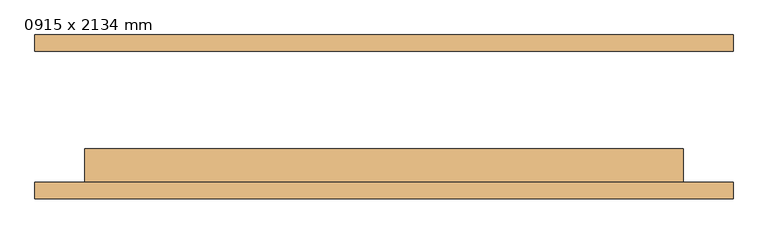
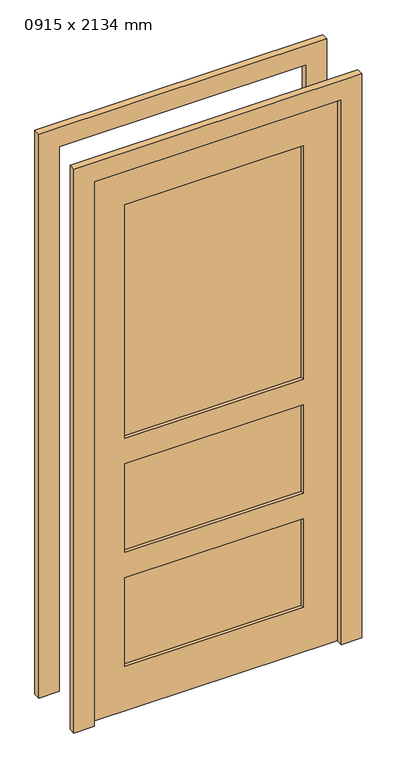
"""IFC4 building model written with IfcOpenShell, lengths in millimetres: door geometry, 0915 x 2134 mm."""

from ifc_helpers import new_model, si_unit, frame, origin, place, context, project, spatial, polyline, outline, extrude, source, transform, mapped, element, save


def door_0915_x_2134_mm_c102b146(model_context):
    return source(origin(), model_context, "Body", "SweptSolid", [
        extrude(outline(polyline([(0.0, -533.5), (0.0, -457.5), (2134.0, -457.5), (2134.0, 457.5), (0.0, 457.5), (0.0, 533.5), (2210.0, 533.5), (2210.0, -533.5), (0.0, -533.5)])), frame((0.0, 100.0, 0.0), z_axis=(0.0, 1.0, 0.0), x_axis=(0.0, 0.0, 1.0)), (0.0, 0.0, 1.0), 25.0),
        extrude(outline(polyline([(0.0, 533.5), (2210.0, 533.5), (2210.0, -533.5), (0.0, -533.5), (0.0, -457.5), (2134.0, -457.5), (2134.0, 457.5), (0.0, 457.5), (0.0, 533.5)])), frame((0.0, -125.4, 0.0), z_axis=(0.0, 1.0, 0.0), x_axis=(0.0, 0.0, 1.0)), (0.0, 0.0, 1.0), 25.0),
        extrude(outline(polyline([(330.5, -61.7), (330.5, -87.3), (-330.5, -87.3), (-330.5, -61.7), (330.5, -61.7)])), frame((0.0, 0.0, 1069.0), z_axis=(0.0, 0.0, 1.0), x_axis=(1.0, 0.0, 0.0)), (0.0, 0.0, 1.0), 915.0),
        extrude(outline(polyline([(330.5, -61.7), (330.5, -87.3), (-330.5, -87.3), (-330.5, -61.7), (330.5, -61.7)])), frame((0.0, 0.0, 622.0), z_axis=(0.0, 0.0, 1.0), x_axis=(1.0, 0.0, 0.0)), (0.0, 0.0, 1.0), 347.0),
        extrude(outline(polyline([(330.5, -61.7), (330.5, -87.3), (-330.5, -87.3), (-330.5, -61.7), (330.5, -61.7)])), frame((0.0, 0.0, 175.0), z_axis=(0.0, 0.0, 1.0), x_axis=(1.0, 0.0, 0.0)), (0.0, 0.0, 1.0), 347.0),
        extrude(outline(polyline([(2134.0, 457.5), (2134.0, -457.5), (0.0, -457.5), (0.0, 457.5), (2134.0, 457.5)]), holes=[polyline([(1069.0, 330.5), (1069.0, -330.5), (1984.0, -330.5), (1984.0, 330.5), (1069.0, 330.5)]), polyline([(622.0, 330.5), (622.0, -330.5), (969.0, -330.5), (969.0, 330.5), (622.0, 330.5)]), polyline([(522.0, 330.5), (175.0, 330.5), (175.0, -330.5), (522.0, -330.5), (522.0, 330.5)])]), frame((0.0, -100.0, 0.0), z_axis=(0.0, 1.0, 0.0), x_axis=(0.0, 0.0, 1.0)), (0.0, 0.0, 1.0), 51.0),
    ])


if __name__ == "__main__":
    model = new_model("IFC4")
    model_context = context("Model", 3, world=origin())
    ifc_project = project(units=[si_unit("LENGTHUNIT", "METRE", prefix="MILLI")], contexts=[model_context])
    site = spatial("IfcSite", under=ifc_project)
    building = spatial("IfcBuilding", under=site)
    placement = place(None, origin())
    door_0915_x_2134_mm_shape = door_0915_x_2134_mm_c102b146(model_context)
    element("IfcDoor", 1, ObjectType="0915 x 2134 mm", at=placement, inside=building, context=model_context, shape_type="MappedRepresentation", body=[
        mapped(door_0915_x_2134_mm_shape, transform((0.0, 0.0, 0.0), x_axis=(1.0, 0.0, 0.0), y_axis=(0.0, 1.0, 0.0), z_axis=(0.0, 0.0, 1.0))),
    ])
    save(model, "model.ifc")
